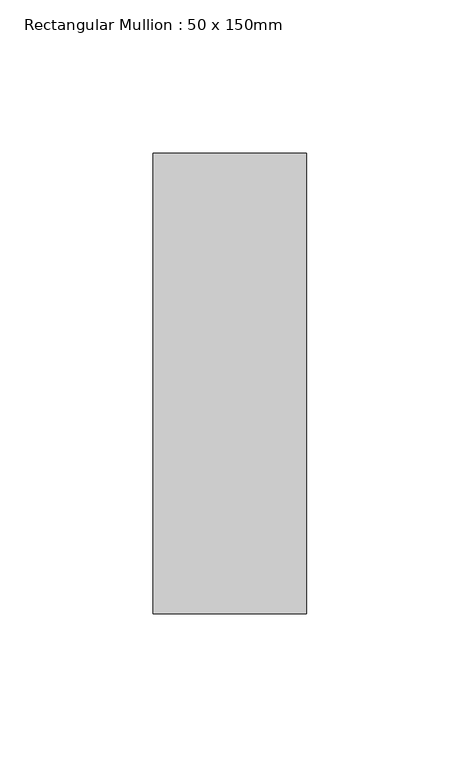
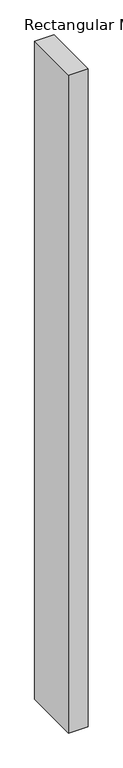
"""IFC4 building model written with IfcOpenShell, lengths in millimetres: member geometry, Rectangular Mullion : 50 x 150mm."""

import ifcopenshell
import ifcopenshell.guid

model = None  # the IFC model being written
_history = None  # IfcOwnerHistory: only IFC2X3 demands one
_inside = {}  # id of a spatial element -> (the spatial element, [elements in it])
_under = {}  # id of a project, library or spatial element -> (it, [spatial elements below it])
_declared = {}  # id of a project -> (the project, [libraries it declares])
_typed = {}  # id of a type object -> (the type object, [elements of that type])
_made_of = {}  # id of a material, layer set ... -> (it, [elements and type objects made of it])


def new_model(schema):
    """Start an empty IFC model of exactly this schema.

    Asked for "IFC4X3", IfcOpenShell would pick the latest addendum, in which some entities
    have other attributes; the version numbers below select the first issue.
    IFC2X3 requires an IfcOwnerHistory on every rooted entity: one is made here for all.
    """
    global model, _history
    if schema == "IFC4X3":
        model = ifcopenshell.file(schema_version=(4, 3, 0, 0))
    else:
        model = ifcopenshell.file(schema=schema)
    _inside.clear()
    _under.clear()
    _declared.clear()
    _typed.clear()
    _made_of.clear()
    _history = None
    if model.schema == "IFC2X3":
        org = make("IfcOrganization", Name="unknown")
        user = make(
            "IfcPersonAndOrganization",
            ThePerson=make("IfcPerson", FamilyName="unknown"),
            TheOrganization=org,
        )
        app = make(
            "IfcApplication",
            ApplicationDeveloper=org,
            Version="unknown",
            ApplicationFullName="unknown",
            ApplicationIdentifier="unknown",
        )
        _history = make(
            "IfcOwnerHistory",
            OwningUser=user,
            OwningApplication=app,
            ChangeAction="ADDED",
            CreationDate=0,
        )
    return model


def make(cls, **values):
    """One entity of the class cls with the attributes given. An attribute that is None is left unset."""
    return model.create_entity(
        cls, **{name: value for name, value in values.items() if value is not None}
    )


def rooted(cls, **values):
    """An entity with a GlobalId (a new one), such as an element, a storey or a relation."""
    return make(cls, GlobalId=ifcopenshell.guid.new(), OwnerHistory=_history, **values)


def si_unit(unit_type, name, prefix=None):
    """IfcSIUnit, for example si_unit("LENGTHUNIT", "METRE", prefix="MILLI")."""
    return make("IfcSIUnit", UnitType=unit_type, Prefix=prefix, Name=name)


def assignment(units):
    """IfcUnitAssignment: the units of a project."""
    return None if units is None else make("IfcUnitAssignment", Units=units)


def point(xyz):
    """IfcCartesianPoint."""
    return None if xyz is None else make("IfcCartesianPoint", Coordinates=xyz)


def direction(xyz):
    """IfcDirection."""
    return None if xyz is None else make("IfcDirection", DirectionRatios=xyz)


def frame(location, z_axis=None, x_axis=None):
    """IfcAxis2Placement3D, a coordinate frame: its origin and axes. An axis left out is left unset."""
    return make(
        "IfcAxis2Placement3D",
        Location=point(location),
        Axis=direction(z_axis),
        RefDirection=direction(x_axis),
    )


def origin():
    """The frame at (0, 0, 0) with its axes left unset."""
    return frame((0.0, 0.0, 0.0))


def place(relative_to, where):
    """IfcLocalPlacement: puts the frame where relative to a parent placement (None: the world)."""
    return make(
        "IfcLocalPlacement", PlacementRelTo=relative_to, RelativePlacement=where
    )


def context(
    kind, dimensions, precision=None, world=None, true_north=None, identifier=None
):
    """IfcGeometricRepresentationContext, for example the 3D "Model" context."""
    return make(
        "IfcGeometricRepresentationContext",
        ContextIdentifier=identifier,
        ContextType=kind,
        CoordinateSpaceDimension=dimensions,
        Precision=precision,
        WorldCoordinateSystem=world,
        TrueNorth=true_north,
    )


def project(units=None, contexts=None):
    """IfcProject with its units and contexts."""
    return rooted(
        "IfcProject",
        Name="project",
        RepresentationContexts=contexts,
        UnitsInContext=assignment(units),
    )


def spatial(cls, under=None, at=None, **own):
    """A site, building, storey or space (cls), placed at a placement, below another one or the project."""
    s = rooted(cls, ObjectPlacement=at, **own)
    if under is not None:
        _under.setdefault(under.id(), (under, []))[1].append(s)
    return s


def polyline(points):
    """IfcPolyline through the points."""
    return make("IfcPolyline", Points=[point(p) for p in points])


def outline(outer, holes=None, kind="AREA"):
    """IfcArbitraryClosedProfileDef: a profile drawn as a closed curve; with holes, ...WithVoids."""
    if holes is None:
        return make("IfcArbitraryClosedProfileDef", ProfileType=kind, OuterCurve=outer)
    return make(
        "IfcArbitraryProfileDefWithVoids",
        ProfileType=kind,
        OuterCurve=outer,
        InnerCurves=holes,
    )


def extrude(swept, where, along, depth):
    """IfcExtrudedAreaSolid: the profile swept, set in the frame where, extruded along a direction by depth."""
    return make(
        "IfcExtrudedAreaSolid",
        SweptArea=swept,
        Position=where,
        ExtrudedDirection=direction(along),
        Depth=depth,
    )


def shape(context_of_items, identifier, shape_type, items):
    """IfcShapeRepresentation: the items that make up one representation, for example the "Body"."""
    return make(
        "IfcShapeRepresentation",
        ContextOfItems=context_of_items,
        RepresentationIdentifier=identifier,
        RepresentationType=shape_type,
        Items=items,
    )


def source(mapping_origin, context_of_items, identifier, shape_type, items):
    """IfcRepresentationMap: a shape defined once, which mapped items show again and again."""
    return make(
        "IfcRepresentationMap",
        MappingOrigin=mapping_origin,
        MappedRepresentation=shape(context_of_items, identifier, shape_type, items),
    )


def transform(
    local_origin,
    x_axis=None,
    y_axis=None,
    z_axis=None,
    scale=None,
    scale2=None,
    scale3=None,
    uniform=True,
):
    """IfcCartesianTransformationOperator3D, or its non-uniform kind. x_axis, y_axis, z_axis: its Axis1, 2, 3."""
    if uniform:
        return make(
            "IfcCartesianTransformationOperator3D",
            Axis1=direction(x_axis),
            Axis2=direction(y_axis),
            LocalOrigin=point(local_origin),
            Scale=scale,
            Axis3=direction(z_axis),
        )
    return make(
        "IfcCartesianTransformationOperator3DnonUniform",
        Axis1=direction(x_axis),
        Axis2=direction(y_axis),
        LocalOrigin=point(local_origin),
        Scale=scale,
        Axis3=direction(z_axis),
        Scale2=scale2,
        Scale3=scale3,
    )


def mapped(mapping_source, mapping_target):
    """IfcMappedItem: shows the shape of a source again, moved by a transform."""
    return make(
        "IfcMappedItem", MappingSource=mapping_source, MappingTarget=mapping_target
    )


def made_of(thing, what):
    """Note that an element or type object is made of a material, layer set ...; save() writes the relation."""
    if what is not None:
        _made_of.setdefault(what.id(), (what, []))[1].append(thing)
    return thing


def element(
    cls,
    number,
    at=None,
    inside=None,
    cuts=None,
    type_object=None,
    material=None,
    context=None,
    identifier="Body",
    shape_type=None,
    held_by="IfcProductDefinitionShape",
    body=None,
    shapes=None,
    **own,
):
    """One element of the class cls, such as IfcWall. Its Tag is "e" and its number.

    at: its placement. inside: the storey or other place that contains it. cuts: it is an
    opening in that element (IfcRelVoidsElement). A single representation is given by context,
    identifier, shape_type and body (its items); several are given by shapes. held_by: the class
    of the entity that holds the representations. save() writes the other relations.
    """
    e = rooted(cls, Tag="e%d" % number, ObjectPlacement=at, **own)
    if body is not None:
        shapes = [shape(context, identifier, shape_type, body)]
    if shapes is not None:
        e.Representation = make(held_by, Representations=shapes)
    if inside is not None:
        _inside.setdefault(inside.id(), (inside, []))[1].append(e)
    if cuts is not None:
        rooted(
            "IfcRelVoidsElement", RelatingBuildingElement=cuts, RelatedOpeningElement=e
        )
    if type_object is not None:
        _typed.setdefault(type_object.id(), (type_object, []))[1].append(e)
    return made_of(e, material)


def aggregate(whole, parts):
    """IfcRelAggregates: a whole, such as a stair, and the parts it consists of."""
    return rooted("IfcRelAggregates", RelatingObject=whole, RelatedObjects=parts)


def save(model, path):
    """Write the relations noted so far, then the file.

    IfcRelAggregates (storeys below a building ...), IfcRelContainedInSpatialStructure (elements
    in a storey), IfcRelDefinesByType, IfcRelAssociatesMaterial and IfcRelDeclares: one each for
    every whole, place, type object, material and project.
    """
    for whole, parts in _under.values():
        aggregate(whole, parts)
    for where, things in _inside.values():
        rooted(
            "IfcRelContainedInSpatialStructure",
            RelatedElements=things,
            RelatingStructure=where,
        )
    for kind, things in _typed.values():
        rooted("IfcRelDefinesByType", RelatedObjects=things, RelatingType=kind)
    for what, things in _made_of.values():
        rooted("IfcRelAssociatesMaterial", RelatedObjects=things, RelatingMaterial=what)
    for by, libraries in _declared.values():
        rooted("IfcRelDeclares", RelatingContext=by, RelatedDefinitions=libraries)
    model.write(path)


def rectangular_mullion_50_x_150mm_62bdbd54(model_context):
    return source(origin(), model_context, "Body", "SweptSolid", [
        extrude(outline(polyline([(0.0, 75.0), (0.0, -75.0), (-50.0, -75.0), (-50.0, 75.0), (0.0, 75.0)])), frame((0.0, 0.0, -1778.3333333), z_axis=(0.0, 0.0, 1.0), x_axis=(1.0, 0.0, 0.0)), (0.0, 0.0, 1.0), 1778.3333333),
    ])


if __name__ == "__main__":
    model = new_model("IFC4")
    model_context = context("Model", 3, world=origin())
    ifc_project = project(units=[si_unit("LENGTHUNIT", "METRE", prefix="MILLI")], contexts=[model_context])
    site = spatial("IfcSite", under=ifc_project)
    building = spatial("IfcBuilding", under=site)
    placement = place(None, origin())
    rectangular_mullion_50_x_150mm_shape = rectangular_mullion_50_x_150mm_62bdbd54(model_context)
    element("IfcMember", 1, ObjectType="Rectangular Mullion : 50 x 150mm", at=placement, inside=building, context=model_context, shape_type="MappedRepresentation", body=[
        mapped(rectangular_mullion_50_x_150mm_shape, transform((0.0, 0.0, 0.0), x_axis=(1.0, 0.0, 0.0), y_axis=(0.0, 1.0, 0.0), z_axis=(0.0, 0.0, 1.0))),
    ])
    save(model, "model.ifc")
